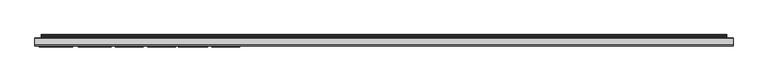
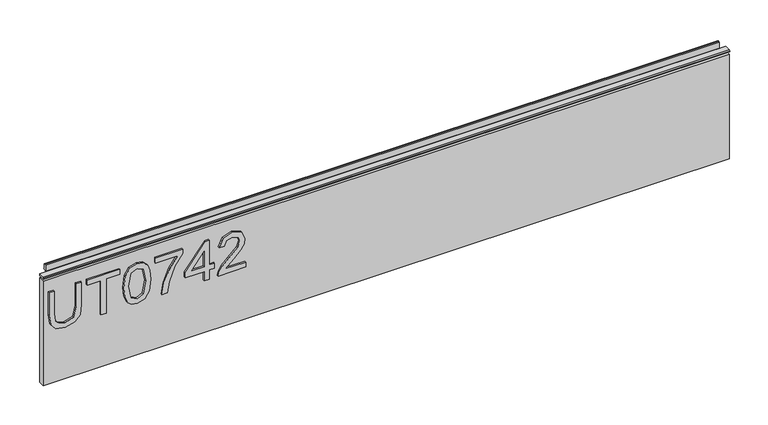
"""IFC4 building model written with IfcOpenShell, lengths in millimetres: furniture geometry."""

from ifc_helpers import new_model, si_unit, frame, origin, place, context, project, spatial, polyline, outline, extrude, source, transform, mapped, element, save


def furniture_5eefb4ab(model_context):
    return source(origin(), model_context, "Body", "SweptSolid", [
        extrude(outline(polyline([(1015.1975569, -249.406548), (978.6772981, -249.406548), (962.5741222, -253.4401289), (958.3848047, -266.9425017), (960.5028239, -276.3178517), (966.5220478, -281.7219156), (978.6772981, -283.2948564), (1015.1975569, -283.2948564), (1015.1975569, -291.268576), (978.3969721, -291.268576), (962.4261723, -288.8468702), (953.4946719, -280.7641349), (950.411085, -266.1949655), (953.9540952, -251.3999779), (963.1425612, -243.5975687), (978.3969721, -241.4328284), (1015.1975569, -241.4328284), (1015.1975569, -249.406548)])), frame((0.0, -6.7767932, 0.0), z_axis=(0.0, 1.0, 0.0), x_axis=(0.0, 0.0, 1.0)), (0.0, 0.0, 1.0), 2.38125),
        extrude(outline(polyline([(951.4078, -211.5313799), (951.4078, -203.5576602), (1007.2238373, -203.5576602), (1007.2238373, -182.6266462), (1015.1975569, -182.6266462), (1015.1975569, -232.4623938), (1007.2238373, -232.4623938), (1007.2238373, -211.5313799), (951.4078, -211.5313799)])), frame((0.0, -6.7767932, 0.0), z_axis=(0.0, 1.0, 0.0), x_axis=(0.0, 0.0, 1.0)), (0.0, 0.0, 1.0), 2.38125),
        extrude(outline(polyline([(982.7887473, -176.6463565), (967.2734775, -175.0578421), (956.4848168, -170.2922987), (951.929518, -164.0005356), (950.411085, -155.7153425), (953.9073742, -144.042876), (964.5130443, -137.1048055), (982.7887473, -134.7843285), (997.7784058, -136.2326799), (1007.2160505, -139.970361), (1013.1418324, -146.4022872), (1015.1975569, -155.7153425), (1011.7246283, -167.341088), (1001.1423188, -174.302519), (982.7887473, -176.6463565)]), holes=[polyline([(982.804321, -168.6726369), (1002.9566514, -164.8103665), (1007.2238373, -155.8087846), (1002.3804256, -146.3711398), (982.804321, -142.7580481), (963.0179718, -146.4957292), (958.3848047, -155.7153425), (963.0023982, -164.9349558), (982.804321, -168.6726369)])]), frame((0.0, -6.7767932, 0.0), z_axis=(0.0, 1.0, 0.0), x_axis=(0.0, 0.0, 1.0)), (0.0, 0.0, 1.0), 2.38125),
        extrude(outline(polyline([(1006.2271224, -127.8073239), (1006.2271224, -93.9190155), (989.7268178, -105.9730369), (969.3953902, -114.6709323), (951.4078, -117.8401743), (951.4078, -109.8664547), (968.741296, -106.9074572), (990.5989434, -97.8202201), (1007.7533421, -85.9452959), (1014.200842, -85.9452959), (1014.200842, -127.8073239), (1006.2271224, -127.8073239)])), frame((0.0, -6.7767932, 0.0), z_axis=(0.0, 1.0, 0.0), x_axis=(0.0, 0.0, 1.0)), (0.0, 0.0, 1.0), 2.38125),
        extrude(outline(polyline([(951.4078, -53.0537024), (951.4078, -45.0799828), (966.3585243, -45.0799828), (966.3585243, -37.1062632), (974.3322439, -37.1062632), (974.3322439, -45.0799828), (1014.200842, -45.0799828), (1014.200842, -51.0602725), (974.3322439, -81.9584361), (966.3585243, -81.9584361), (966.3585243, -53.0537024), (951.4078, -53.0537024)]), holes=[polyline([(974.3322439, -53.0537024), (974.3322439, -72.1470232), (998.9697916, -53.0537024), (974.3322439, -53.0537024)])]), frame((0.0, -6.7767932, 0.0), z_axis=(0.0, 1.0, 0.0), x_axis=(0.0, 0.0, 1.0)), (0.0, 0.0, 1.0), 2.38125),
        extrude(outline(polyline([(959.3815196, 10.7360545), (959.3815196, -20.5825981), (963.4384609, -16.9850801), (971.108494, -7.8121878), (982.0334243, 3.6111), (989.8514072, 8.3221355), (997.4124245, 9.7393396), (1010.0893928, 4.4832255), (1015.1975569, -9.790044), (1010.603324, -24.0165926), (997.2566878, -30.1292585), (996.2599729, -22.1555389), (1004.3115608, -18.7994128), (1007.2238373, -9.9613544), (1004.2414793, -1.4814905), (996.9296407, 1.7656199), (987.8969115, -1.6761614), (974.61257, -15.4432867), (965.3695962, -25.4260099), (956.9053059, -30.2694216), (951.4078, -31.1259735), (951.4078, 10.7360545), (959.3815196, 10.7360545)])), frame((0.0, -6.7767932, 0.0), z_axis=(0.0, 1.0, 0.0), x_axis=(0.0, 0.0, 1.0)), (0.0, 0.0, 1.0), 2.38125),
        extrude(outline(polyline([(5.5562561, 1041.4), (5.5562561, 1038.2249996), (-3.975094, 1038.2249996), (-5.3492339, 1039.0183657), (-5.3492339, 1040.6066395), (-3.9751037, 1041.4), (5.5562561, 1041.4)])), frame((-298.196, 0.0, 0.0), z_axis=(1.0, 0.0, 0.0), x_axis=(0.0, 1.0, 0.0)), (0.0, 0.0, 1.0), 1053.592),
        extrude(outline(polyline([(755.396, 6.3500061), (755.396, -3.1749939), (-298.196, -3.1749939), (-298.196, 6.3500061), (755.396, 6.3500061)])), frame((0.0, 0.0, 864.4381927), z_axis=(0.0, 0.0, 1.0), x_axis=(1.0, 0.0, 0.0)), (0.0, 0.0, 1.0), 169.5196073),
        extrude(outline(polyline([(5.5562561, 1041.4), (6.3500061, 1041.4), (6.3500061, 1051.27425), (7.1437561, 1052.068), (8.6677569, 1052.068), (10.0084363, 1051.6506926), (10.875413, 1050.5461816), (10.9623604, 1049.1447591), (10.2390011, 1046.1863459), (10.4046103, 1044.9833307), (11.6746103, 1042.7836103), (10.7786383, 1042.2663244), (7.1437561, 1042.2663244), (7.1437561, 1041.4), (6.3500061, 1041.1669239), (6.3500061, 1033.9578), (5.5562561, 1033.9578), (5.5562561, 1041.4)])), frame((-288.671, 0.0, 0.0), z_axis=(1.0, 0.0, 0.0), x_axis=(0.0, 1.0, 0.0)), (0.0, 0.0, 1.0), 1034.542),
    ])


if __name__ == "__main__":
    model = new_model("IFC4")
    model_context = context("Model", 3, world=origin())
    ifc_project = project(units=[si_unit("LENGTHUNIT", "METRE", prefix="MILLI")], contexts=[model_context])
    site = spatial("IfcSite", under=ifc_project)
    building = spatial("IfcBuilding", under=site)
    placement = place(None, origin())
    furniture_shape = furniture_5eefb4ab(model_context)
    element("IfcFurniture", 1, at=placement, inside=building, context=model_context, shape_type="MappedRepresentation", body=[
        mapped(furniture_shape, transform((0.0, 0.0, 0.0), x_axis=(1.0, 0.0, 0.0), y_axis=(0.0, 1.0, 0.0), z_axis=(0.0, 0.0, 1.0))),
    ])
    save(model, "model.ifc")
